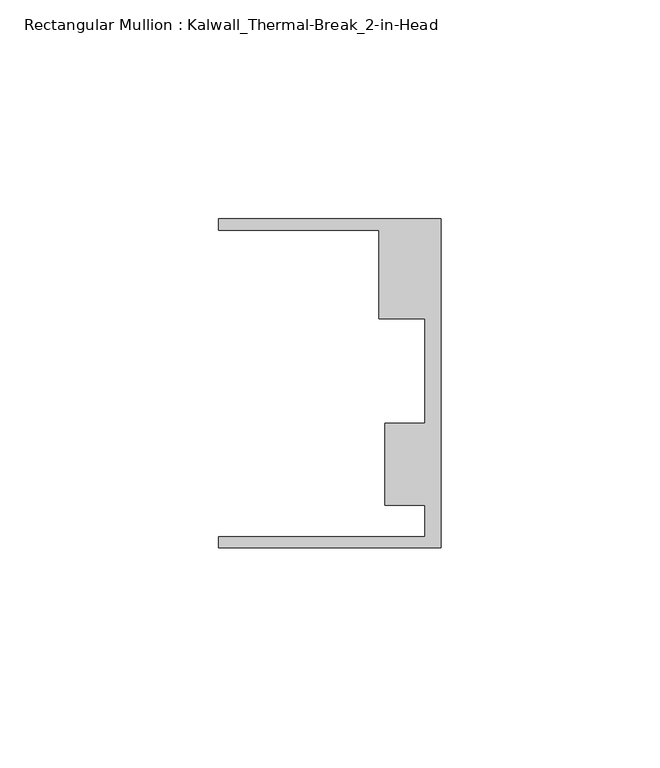
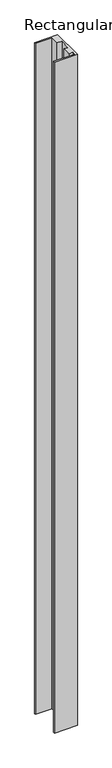
"""IFC4 building model written with IfcOpenShell, lengths in millimetres: member geometry, Rectangular Mullion : Kalwall_Thermal-Break_2-in-Head."""

from ifc_helpers import new_model, si_unit, frame, origin, place, context, project, spatial, polyline, outline, extrude, source, transform, mapped, element, save


def rectangular_mullion_kalwall_thermal_break_2_in_head_241b52ca(model_context):
    return source(origin(), model_context, "Body", "SweptSolid", [
        extrude(outline(polyline([(0.0, -37.5776386), (-50.8, -37.5776386), (-50.8, -35.0376386), (-3.7084, -35.0376386), (-3.7084, -27.8888568), (-12.8272539, -27.8888568), (-12.8272539, -9.1879886), (-3.7084, -9.1879886), (-3.7084, 14.7439614), (-14.1732, 14.7439614), (-14.1732, 34.9623614), (-50.8, 34.9623614), (-50.8, 37.5023614), (0.0, 37.5023614), (0.0, -37.5776386)])), frame((0.0, 0.0, -1567.0818003), z_axis=(0.0, 0.0, 1.0), x_axis=(1.0, 0.0, 0.0)), (0.0, 0.0, 1.0), 1567.0818003),
    ])


if __name__ == "__main__":
    model = new_model("IFC4")
    model_context = context("Model", 3, world=origin())
    ifc_project = project(units=[si_unit("LENGTHUNIT", "METRE", prefix="MILLI")], contexts=[model_context])
    site = spatial("IfcSite", under=ifc_project)
    building = spatial("IfcBuilding", under=site)
    placement = place(None, origin())
    rectangular_mullion_kalwall_thermal_break_2_in_head_shape = rectangular_mullion_kalwall_thermal_break_2_in_head_241b52ca(model_context)
    element("IfcMember", 1, ObjectType="Rectangular Mullion : Kalwall_Thermal-Break_2-in-Head", at=placement, inside=building, context=model_context, shape_type="MappedRepresentation", body=[
        mapped(rectangular_mullion_kalwall_thermal_break_2_in_head_shape, transform((0.0, 0.0, 0.0), x_axis=(1.0, 0.0, 0.0), y_axis=(0.0, 1.0, 0.0), z_axis=(0.0, 0.0, 1.0))),
    ])
    save(model, "model.ifc")
